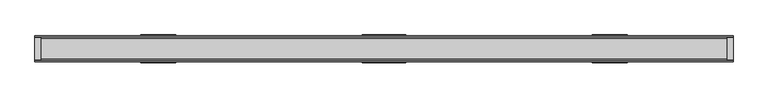
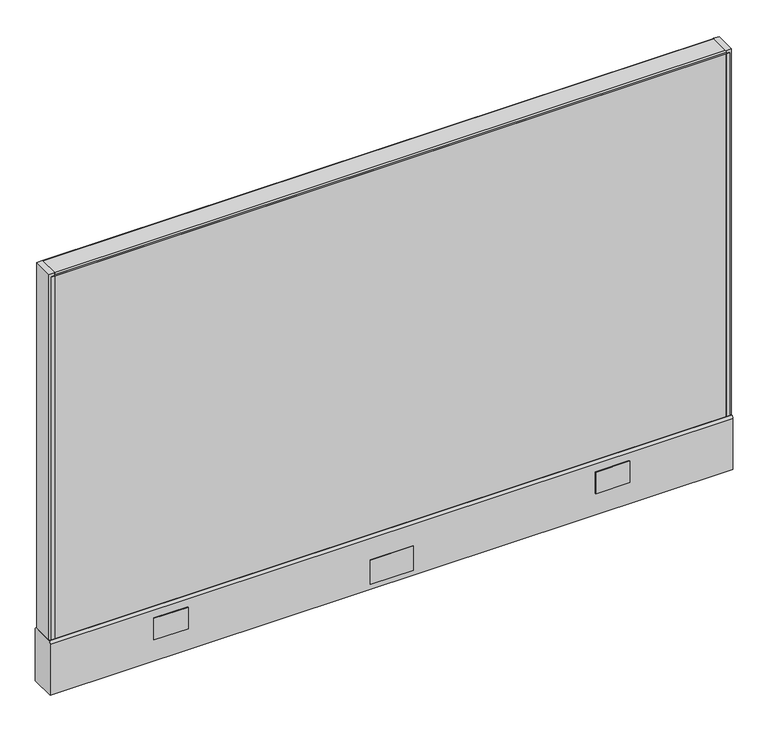
"""IFC4 building model written with IfcOpenShell, lengths in millimetres: furniture geometry."""

from ifc_helpers import new_model, si_unit, point, frame, frame_2d, origin, place, context, project, spatial, polyline, circle_curve, trimmed, segment, composite_curve, outline, extrude, source, transform, mapped, element, save
from ifc_brep_helpers import plane_surface, cylinder_surface, advanced_brep


def furniture_7605b93c(model_context):
    return source(origin(), model_context, "Body", "SolidModel", [
        extrude(outline(polyline([(749.3, 25.4), (749.3, 0.0), (-749.3, 0.0), (-749.3, 25.4), (749.3, 25.4)])), frame((0.0, 0.0, 136.525), z_axis=(0.0, 0.0, 1.0), x_axis=(1.0, 0.0, 0.0)), (0.0, 0.0, 1.0), 857.25),
        extrude(outline(polyline([(47.625, 28.575), (-47.625, 28.575), (-47.625, 30.1625), (47.625, 30.1625), (47.625, 28.575)])), frame((0.0, 0.0, 22.225), z_axis=(0.0, 0.0, 1.0), x_axis=(1.0, 0.0, 0.0)), (0.0, 0.0, 1.0), 57.15),
        extrude(outline(polyline([(47.625, -30.1625), (-47.625, -30.1625), (-47.625, -28.575), (47.625, -28.575), (47.625, -30.1625)])), frame((0.0, 0.0, 22.225), z_axis=(0.0, 0.0, 1.0), x_axis=(1.0, 0.0, 0.0)), (0.0, 0.0, 1.0), 57.15),
        advanced_brep(
        [(704.85, 0.0, 0.0), (730.25, 0.0, 0.0), (717.55, 0.0, 0.0), (704.85, 0.0, 4.7625), (730.25, 0.0, 4.7625), (711.2, 0.0, 4.7625), (723.9, 0.0, 4.7625), (711.2, 0.0, 111.125), (723.9, 0.0, 111.125), (717.55, 0.0, 111.125)],
        [
            (0, 1, circle_curve(frame((717.55, 0.0, 0.0), z_axis=(0.0, 0.0, -1.0), x_axis=(1.0, 0.0, 0.0)), 12.7)),
            (1, 2),
            (2, 0),
            (1, 0, circle_curve(frame((717.55, 0.0, 0.0), z_axis=(0.0, 0.0, -1.0), x_axis=(1.0, 0.0, 0.0)), 12.7)),
            (3, 4, circle_curve(frame((717.55, 0.0, 4.7625), z_axis=(0.0, 0.0, -1.0), x_axis=(1.0, 0.0, 0.0)), 12.7)),
            (4, 1),
            (0, 3),
            (4, 3, circle_curve(frame((717.55, 0.0, 4.7625), z_axis=(0.0, 0.0, -1.0), x_axis=(1.0, 0.0, 0.0)), 12.7)),
            (5, 6, circle_curve(frame((717.55, 0.0, 4.7625), z_axis=(0.0, 0.0, -1.0), x_axis=(1.0, 0.0, 0.0)), 6.35)),
            (6, 4),
            (3, 5),
            (6, 5, circle_curve(frame((717.55, 0.0, 4.7625), z_axis=(0.0, 0.0, -1.0), x_axis=(1.0, 0.0, 0.0)), 6.35)),
            (7, 8, circle_curve(frame((717.55, 0.0, 111.125), z_axis=(0.0, 0.0, -1.0), x_axis=(1.0, 0.0, 0.0)), 6.35)),
            (8, 6),
            (5, 7),
            (8, 7, circle_curve(frame((717.55, 0.0, 111.125), z_axis=(0.0, 0.0, -1.0), x_axis=(1.0, 0.0, 0.0)), 6.35)),
            (9, 8),
            (7, 9),
        ],
        [
            plane_surface(frame((717.55, 0.0, 0.0), z_axis=(0.0, 0.0, -1.0), x_axis=(1.0, 0.0, 0.0))),
            cylinder_surface(frame((717.55, 0.0, 114.882153), z_axis=(0.0, 0.0, 1.0), x_axis=(1.0, 0.0, 0.0)), 12.7),
            plane_surface(frame((717.55, 0.0, 4.7625), z_axis=(0.0, 0.0, 1.0), x_axis=(1.0, 0.0, 0.0))),
            cylinder_surface(frame((717.55, 0.0, 114.882153), z_axis=(0.0, 0.0, 1.0), x_axis=(1.0, 0.0, 0.0)), 6.35),
            plane_surface(frame((717.55, 0.0, 111.125), z_axis=(0.0, 0.0, 1.0), x_axis=(1.0, 0.0, 0.0))),
        ],
        [
            (0, [[1, 2, 3]]),
            (0, [[4, -3, -2]]),
            (1, [[5, 6, -1, 7]]),
            (1, [[8, -7, -4, -6]]),
            (2, [[9, 10, -5, 11]]),
            (2, [[12, -11, -8, -10]]),
            (3, [[13, 14, -9, 15]]),
            (3, [[16, -15, -12, -14]]),
            (4, [[17, -13, 18]]),
            (4, [[-18, -16, -17]]),
        ],
    ),
        advanced_brep(
        [(-730.25, 0.0, 4.7625), (-704.85, 0.0, 4.7625), (-704.85, 0.0, 0.0), (-730.25, 0.0, 0.0), (-723.9, 0.0, 4.7625), (-711.2, 0.0, 4.7625), (-723.9, 0.0, 111.125), (-711.2, 0.0, 111.125), (-717.55, 0.0, 111.125), (-717.55, 0.0, 0.0)],
        [
            (0, 1, circle_curve(frame((-717.55, 0.0, 4.7625), z_axis=(0.0, 0.0, -1.0), x_axis=(1.0, 0.0, 0.0)), 12.7)),
            (1, 2),
            (2, 3, circle_curve(frame((-717.55, 0.0, 0.0), z_axis=(0.0, 0.0, 1.0), x_axis=(1.0, 0.0, 0.0)), 12.7)),
            (3, 0),
            (1, 0, circle_curve(frame((-717.55, 0.0, 4.7625), z_axis=(0.0, 0.0, -1.0), x_axis=(1.0, 0.0, 0.0)), 12.7)),
            (3, 2, circle_curve(frame((-717.55, 0.0, 0.0), z_axis=(0.0, 0.0, 1.0), x_axis=(1.0, 0.0, 0.0)), 12.7)),
            (4, 5, circle_curve(frame((-717.55, 0.0, 4.7625), z_axis=(0.0, 0.0, -1.0), x_axis=(1.0, 0.0, 0.0)), 6.35)),
            (5, 1),
            (0, 4),
            (5, 4, circle_curve(frame((-717.55, 0.0, 4.7625), z_axis=(0.0, 0.0, -1.0), x_axis=(1.0, 0.0, 0.0)), 6.35)),
            (6, 7, circle_curve(frame((-717.55, 0.0, 111.125), z_axis=(0.0, 0.0, -1.0), x_axis=(1.0, 0.0, 0.0)), 6.35)),
            (7, 5),
            (4, 6),
            (7, 6, circle_curve(frame((-717.55, 0.0, 111.125), z_axis=(0.0, 0.0, -1.0), x_axis=(1.0, 0.0, 0.0)), 6.35)),
            (8, 7),
            (6, 8),
            (2, 9),
            (9, 3),
        ],
        [
            cylinder_surface(frame((-717.55, 0.0, 123.825), z_axis=(0.0, 0.0, 1.0), x_axis=(1.0, 0.0, 0.0)), 12.7),
            plane_surface(frame((-717.55, 0.0, 4.7625), z_axis=(0.0, 0.0, 1.0), x_axis=(1.0, 0.0, 0.0))),
            cylinder_surface(frame((-717.55, 0.0, 123.825), z_axis=(0.0, 0.0, 1.0), x_axis=(1.0, 0.0, 0.0)), 6.35),
            plane_surface(frame((-717.55, 0.0, 111.125), z_axis=(0.0, 0.0, 1.0), x_axis=(1.0, 0.0, 0.0))),
            plane_surface(frame((-717.55, 0.0, 0.0), z_axis=(0.0, 0.0, -1.0), x_axis=(1.0, 0.0, 0.0))),
        ],
        [
            (0, [[1, 2, 3, 4]]),
            (0, [[5, -4, 6, -2]]),
            (1, [[7, 8, -1, 9]]),
            (1, [[10, -9, -5, -8]]),
            (2, [[11, 12, -7, 13]]),
            (2, [[14, -13, -10, -12]]),
            (3, [[15, -11, 16]]),
            (3, [[-16, -14, -15]]),
            (4, [[-3, 17, 18]]),
            (4, [[-6, -18, -17]]),
        ],
    ),
        extrude(outline(polyline([(-762.0, 23.8125), (-749.3, 23.8125), (-749.3, -23.8125), (-762.0, -23.8125), (-762.0, 23.8125)])), frame((0.0, 0.0, 136.525), z_axis=(0.0, 0.0, 1.0), x_axis=(1.0, 0.0, 0.0)), (0.0, 0.0, 1.0), 863.6),
        extrude(outline(polyline([(762.0, 23.8125), (762.0, -23.8125), (749.3, -23.8125), (749.3, 23.8125), (762.0, 23.8125)])), frame((0.0, 0.0, 136.525), z_axis=(0.0, 0.0, 1.0), x_axis=(1.0, 0.0, 0.0)), (0.0, 0.0, 1.0), 863.6),
        extrude(outline(polyline([(-749.3, 25.4), (-749.3, 23.8125), (-757.2375, 23.8125), (-757.2375, 25.4), (-749.3, 25.4)])), frame((0.0, 0.0, 136.525), z_axis=(0.0, 0.0, 1.0), x_axis=(1.0, 0.0, 0.0)), (0.0, 0.0, 1.0), 857.25),
        extrude(outline(polyline([(-749.3, -25.4), (-757.2375, -25.4), (-757.2375, -23.8125), (-749.3, -23.8125), (-749.3, -25.4)])), frame((0.0, 0.0, 136.525), z_axis=(0.0, 0.0, 1.0), x_axis=(1.0, 0.0, 0.0)), (0.0, 0.0, 1.0), 857.25),
        extrude(outline(polyline([(757.2375, 25.4), (757.2375, 23.8125), (749.3, 23.8125), (749.3, 25.4), (757.2375, 25.4)])), frame((0.0, 0.0, 136.525), z_axis=(0.0, 0.0, 1.0), x_axis=(1.0, 0.0, 0.0)), (0.0, 0.0, 1.0), 857.25),
        extrude(outline(polyline([(749.3, -23.8125), (757.2375, -23.8125), (757.2375, -25.4), (749.3, -25.4), (749.3, -23.8125)])), frame((0.0, 0.0, 136.525), z_axis=(0.0, 0.0, 1.0), x_axis=(1.0, 0.0, 0.0)), (0.0, 0.0, 1.0), 857.25),
        extrude(outline(composite_curve([segment(trimmed(circle_curve(frame_2d((22.225, 996.95)), 3.175), [point((22.225, 1000.125))], [point((25.4, 996.95))], False, "CARTESIAN"), True, "CONTINUOUS"), segment(polyline([(25.4, 996.95), (25.4, 993.775), (-25.4, 993.775), (-25.4, 996.95)]), True, "CONTINUOUS"), segment(trimmed(circle_curve(frame_2d((-22.225, 996.95)), 3.175), [point((-25.4, 996.95))], [point((-22.225, 1000.125))], False, "CARTESIAN"), True, "CONTINUOUS"), segment(polyline([(-22.225, 1000.125), (22.225, 1000.125)]), True, "CONTINUOUS")], self_intersect=False)), frame((-749.3, 0.0, 0.0), z_axis=(1.0, 0.0, 0.0), x_axis=(0.0, 1.0, 0.0)), (0.0, 0.0, 1.0), 1498.6),
        extrude(outline(polyline([(531.114, 30.1625), (531.114, 28.575), (454.806184, 28.575), (454.806184, 30.1625), (531.114, 30.1625)])), frame((0.0, 0.0, 60.325), z_axis=(0.0, 0.0, 1.0), x_axis=(1.0, 0.0, 0.0)), (0.0, 0.0, 1.0), 50.8),
        extrude(outline(polyline([(-454.806184, 30.1625), (-454.806184, 28.575), (-531.114, 28.575), (-531.114, 30.1625), (-454.806184, 30.1625)])), frame((0.0, 0.0, 60.325), z_axis=(0.0, 0.0, 1.0), x_axis=(1.0, 0.0, 0.0)), (0.0, 0.0, 1.0), 50.8),
        extrude(outline(polyline([(531.114, -28.575), (531.114, -30.1625), (454.806184, -30.1625), (454.806184, -28.575), (531.114, -28.575)])), frame((0.0, 0.0, 60.325), z_axis=(0.0, 0.0, 1.0), x_axis=(1.0, 0.0, 0.0)), (0.0, 0.0, 1.0), 50.8),
        extrude(outline(polyline([(-454.806184, -28.575), (-454.806184, -30.1625), (-531.114, -30.1625), (-531.114, -28.575), (-454.806184, -28.575)])), frame((0.0, 0.0, 60.325), z_axis=(0.0, 0.0, 1.0), x_axis=(1.0, 0.0, 0.0)), (0.0, 0.0, 1.0), 50.8),
        extrude(outline(composite_curve([segment(trimmed(circle_curve(frame_2d((20.6375, 130.175)), 7.9375), [point((25.4, 136.525))], [point((28.575, 130.175))], False, "CARTESIAN"), True, "CONTINUOUS"), segment(polyline([(28.575, 130.175), (28.575, 9.525), (-28.575, 9.525), (-28.575, 130.175)]), True, "CONTINUOUS"), segment(trimmed(circle_curve(frame_2d((-20.6375, 130.175)), 7.9375), [point((-28.575, 130.175))], [point((-25.4, 136.525))], False, "CARTESIAN"), True, "CONTINUOUS"), segment(polyline([(-25.4, 136.525), (25.4, 136.525)]), True, "CONTINUOUS")], self_intersect=False)), frame((-762.0, 0.0, 0.0), z_axis=(1.0, 0.0, 0.0), x_axis=(0.0, 1.0, 0.0)), (0.0, 0.0, 1.0), 1524.0),
        extrude(outline(polyline([(749.3, 0.0), (749.3, -25.4), (-749.3, -25.4), (-749.3, 0.0), (749.3, 0.0)])), frame((0.0, 0.0, 136.525), z_axis=(0.0, 0.0, 1.0), x_axis=(1.0, 0.0, 0.0)), (0.0, 0.0, 1.0), 857.25),
    ])


if __name__ == "__main__":
    model = new_model("IFC4")
    model_context = context("Model", 3, world=origin())
    ifc_project = project(units=[si_unit("LENGTHUNIT", "METRE", prefix="MILLI")], contexts=[model_context])
    site = spatial("IfcSite", under=ifc_project)
    building = spatial("IfcBuilding", under=site)
    placement = place(None, origin())
    furniture_shape = furniture_7605b93c(model_context)
    element("IfcFurniture", 1, at=placement, inside=building, context=model_context, shape_type="MappedRepresentation", body=[
        mapped(furniture_shape, transform((0.0, 0.0, 0.0), x_axis=(1.0, 0.0, 0.0), y_axis=(0.0, 1.0, 0.0), z_axis=(0.0, 0.0, 1.0))),
    ])
    save(model, "model.ifc")
